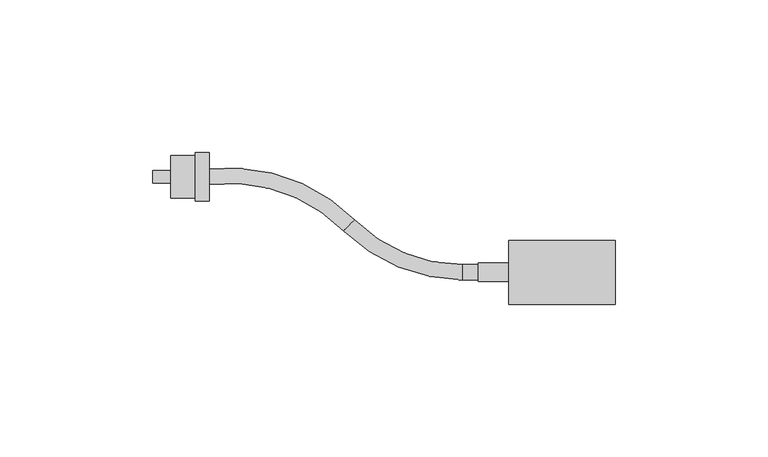
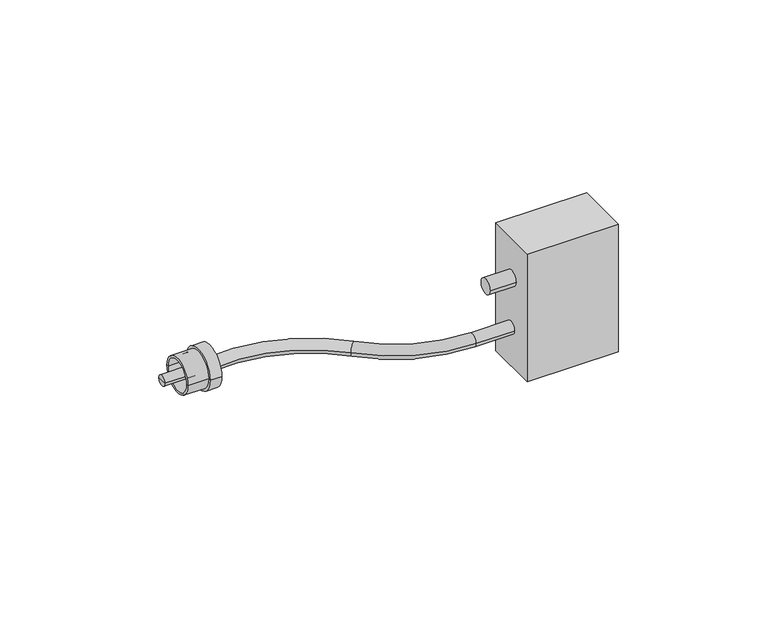
"""IFC4 building model written with IfcOpenShell, lengths in millimetres: proxy geometry."""

from ifc_helpers import new_model, si_unit, point, frame, origin, place, context, project, spatial, polyline, circle_curve, ellipse_curve, trimmed, source, transform, mapped, element, save
from ifc_brep_helpers import plane_surface, cylinder_surface, revolved_surface, advanced_brep


def communication_devices_843c5ee3(model_context):
    return source(origin(), model_context, "Body", "AdvancedBrep", [
        advanced_brep(
        [(17.5, 10.5, 52.0), (-17.5, 10.5, 52.0), (-17.5, -10.5, 52.0), (17.5, -10.5, 52.0), (17.5, 10.5, 0.0), (17.5, -10.5, 0.0), (-17.5, -10.5, 0.0), (-17.5, 10.5, 0.0), (-17.5, 3.0, 36.0), (-17.5, -3.0, 36.0), (-27.5, 3.0, 36.0), (-27.5, -3.0, 36.0)],
        [
            (0, 1),
            (1, 2),
            (2, 3),
            (3, 0),
            (4, 5),
            (5, 6),
            (6, 7),
            (7, 4),
            (0, 4),
            (7, 1),
            (6, 2),
            (8, 9, circle_curve(frame((-17.5, 0.0, 36.0), z_axis=(1.0, 0.0, 0.0), x_axis=(0.0, -1.0, 0.0)), 3.0)),
            (9, 8, circle_curve(frame((-17.5, 0.0, 36.0), z_axis=(1.0, 0.0, 0.0), x_axis=(0.0, -1.0, 0.0)), 3.0)),
            (5, 3),
            (10, 11, circle_curve(frame((-27.5, 0.0, 36.0), z_axis=(-1.0, 0.0, 0.0), x_axis=(0.0, -1.0, 0.0)), 3.0)),
            (11, 10, circle_curve(frame((-27.5, 0.0, 36.0), z_axis=(-1.0, 0.0, 0.0), x_axis=(0.0, -1.0, 0.0)), 3.0)),
            (11, 9),
            (8, 10),
        ],
        [
            plane_surface(frame((-17.5, 10.5, 52.0), z_axis=(0.0, 0.0, 1.0), x_axis=(-1.0, 0.0, 0.0))),
            plane_surface(frame((-17.5, 10.5, 0.0), z_axis=(0.0, 0.0, -1.0), x_axis=(1.0, 0.0, 0.0))),
            plane_surface(frame((17.5, 10.5, 52.0), z_axis=(0.0, 1.0, 0.0), x_axis=(0.0, 0.0, -1.0))),
            plane_surface(frame((-17.5, 10.5, 52.0), z_axis=(-1.0, 0.0, 0.0), x_axis=(0.0, 0.0, -1.0))),
            plane_surface(frame((-17.5, -10.5, 52.0), z_axis=(0.0, -1.0, 0.0), x_axis=(0.0, 0.0, -1.0))),
            plane_surface(frame((17.5, -10.5, 52.0), z_axis=(1.0, 0.0, 0.0), x_axis=(0.0, 0.0, -1.0))),
            plane_surface(frame((-27.5, 0.0, 36.0), z_axis=(-1.0, 0.0, 0.0), x_axis=(0.0, -1.0, 0.0))),
            cylinder_surface(frame((-17.5, 0.0, 36.0), z_axis=(1.0, 0.0, 0.0), x_axis=(0.0, -1.0, 0.0)), 3.0),
        ],
        [
            (0, [[1, 2, 3, 4]]),
            (1, [[5, 6, 7, 8]]),
            (2, [[-1, 9, -8, 10]]),
            (3, [[-2, -10, -7, 11], [12, 13]]),
            (4, [[-3, -11, -6, 14]]),
            (5, [[-4, -14, -5, -9]]),
            (6, [[15, 16]]),
            (7, [[-16, 17, -12, 18]]),
            (7, [[-15, -18, -13, -17]]),
        ],
    ),
        advanced_brep(
        [(-17.5, 2.5, 16.0), (-17.5, -2.5, 16.0), (-32.5, 2.5, 16.0), (-32.5, -2.5, 16.0), (-71.4630657, 13.6127106, 16.0), (-67.9316121, 17.1523201, 16.0), (-115.9303961, 33.7847909, 16.0), (-115.3462096, 28.8190355, 16.0)],
        [
            (0, 1, circle_curve(frame((-17.5, 0.0, 16.0), z_axis=(1.0, 0.0, 0.0), x_axis=(0.0, -1.0, 0.0)), 2.5)),
            (1, 0, circle_curve(frame((-17.5, 0.0, 16.0), z_axis=(1.0, 0.0, 0.0), x_axis=(0.0, -1.0, 0.0)), 2.5)),
            (0, 2),
            (2, 3, circle_curve(frame((-32.5, 0.0, 16.0), z_axis=(1.0, 0.0, 0.0), x_axis=(0.0, -1.0, 0.0)), 2.5)),
            (3, 1),
            (3, 2, circle_curve(frame((-32.5, 0.0, 16.0), z_axis=(1.0, 0.0, 0.0), x_axis=(0.0, -1.0, 0.0)), 2.5)),
            (4, 3, circle_curve(frame((-32.5, 52.6657625, 16.0), z_axis=(0.0, 0.0, 1.0), x_axis=(0.0, -1.0, 0.0)), 55.1657625)),
            (2, 5, circle_curve(frame((-32.5, 52.6657625, 16.0), z_axis=(0.0, 0.0, -1.0), x_axis=(0.0, -1.0, 0.0)), 50.1657625)),
            (5, 4, circle_curve(frame((-69.6973389, 15.3825154, 16.0), z_axis=(0.7079219089385151, -0.706290712698991, 0.0), x_axis=(-0.706290712698991, -0.7079219089385151, 0.0)), 2.5)),
            (4, 5, circle_curve(frame((-69.6973389, 15.3825154, 16.0), z_axis=(0.7079219089385135, -0.7062907126989928, 0.0), x_axis=(-0.7062907126989928, -0.7079219089385135, 0.0)), 2.5)),
            (6, 7, circle_curve(frame((-115.6383028, 31.3019132, 16.0), z_axis=(-0.9931510674314928, -0.11683731107692635, 0.0), x_axis=(0.11683731107692635, -0.9931510674314928, 0.0)), 2.5)),
            (7, 6, circle_curve(frame((-115.6383028, 31.3019132, 16.0), z_axis=(-0.9931510674314928, -0.11683731107692635, 0.0), x_axis=(0.11683731107692635, -0.9931510674314928, 0.0)), 2.5)),
            (7, 4, circle_curve(frame((-109.1173018, -24.1284889, 16.0), z_axis=(0.0, 0.0, -1.0), x_axis=(0.7062907126990097, 0.7079219089384966, 0.0)), 53.3126593)),
            (5, 6, circle_curve(frame((-109.1173018, -24.1284889, 16.0), z_axis=(0.0, 0.0, 1.0), x_axis=(0.7062907126990097, 0.7079219089384966, 0.0)), 58.3126593)),
        ],
        [
            plane_surface(frame((-17.5, 0.0, 16.0), z_axis=(1.0, 0.0, 0.0), x_axis=(0.0, 0.0, 1.0))),
            cylinder_surface(frame((-17.5, 0.0, 16.0), z_axis=(1.0, 0.0, 0.0), x_axis=(0.0, -1.0, 0.0)), 2.5),
            revolved_surface(trimmed(ellipse_curve(frame((-32.5, 0.0, 16.0), z_axis=(1.0, 0.0, 0.0), x_axis=(0.0, -1.0, 0.0)), 2.5, 2.5), [point((-32.5, 2.5, 16.0))], [point((-32.5, -2.5, 16.0))], True, "CARTESIAN"), (-32.5, 52.6657625, 16.0), (0.0, 0.0, -1.0)),
            revolved_surface(trimmed(ellipse_curve(frame((-32.5, 0.0, 16.0), z_axis=(1.0, 0.0, 0.0), x_axis=(0.0, -1.0, 0.0)), 2.5, 2.5), [point((-32.5, -2.5, 16.0))], [point((-32.5, 2.5, 16.0))], True, "CARTESIAN"), (-32.5, 52.6657625, 16.0), (0.0, 0.0, -1.0)),
            plane_surface(frame((-115.6383028, 31.3019132, 16.0), z_axis=(-0.9931510674314928, -0.11683731107692634, 0.0), x_axis=(0.0, 0.0, 1.0))),
            revolved_surface(trimmed(ellipse_curve(frame((-69.6973389, 15.3825154, 16.0), z_axis=(0.7079219089384966, -0.7062907126990097, 0.0), x_axis=(-0.7062907126990097, -0.7079219089384966, 0.0)), 2.5, 2.5), [point((-67.9316121, 17.1523201, 16.0))], [point((-71.4630657, 13.6127106, 16.0))], True, "CARTESIAN"), (-109.1173018, -24.1284889, 16.0), (0.0, 0.0, 1.0)),
            revolved_surface(trimmed(ellipse_curve(frame((-69.6973389, 15.3825154, 16.0), z_axis=(0.7079219089384966, -0.7062907126990097, 0.0), x_axis=(-0.7062907126990097, -0.7079219089384966, 0.0)), 2.5, 2.5), [point((-71.4630657, 13.6127106, 16.0))], [point((-67.9316121, 17.1523201, 16.0))], True, "CARTESIAN"), (-109.1173018, -24.1284889, 16.0), (0.0, 0.0, 1.0)),
        ],
        [
            (0, [[1, 2]]),
            (1, [[-1, 3, 4, 5]]),
            (1, [[-2, -5, 6, -3]]),
            (2, [[7, -4, 8, 9]]),
            (3, [[-8, -6, -7, 10]]),
            (4, [[11, 12]]),
            (5, [[13, -9, 14, -12]]),
            (6, [[-14, -10, -13, -11]]),
        ],
    ),
        advanced_brep(
        [(-115.6383028, 31.3019132, 16.0), (-115.6383028, 23.3019132, 16.0), (-115.6383028, 39.3019132, 16.0), (-134.1383028, 33.3019132, 16.0), (-134.1383028, 29.3019132, 16.0), (-134.1383028, 31.3019132, 16.0), (-122.1383028, 33.3019132, 16.0), (-122.1383028, 29.3019132, 16.0), (-128.1383028, 38.3019132, 16.0), (-128.1383028, 24.3019132, 16.0), (-128.1383028, 25.1019132, 16.0), (-128.1383028, 37.5019132, 16.0), (-120.1383028, 38.3019132, 16.0), (-120.1383028, 24.3019132, 16.0), (-120.1383028, 39.3019132, 16.0), (-120.1383028, 23.3019132, 16.0), (-122.1383028, 37.5019132, 16.0), (-122.1383028, 25.1019132, 16.0)],
        [
            (0, 1),
            (1, 2, circle_curve(frame((-115.6383028, 31.3019132, 16.0), z_axis=(1.0, 0.0, 0.0), x_axis=(0.0, -1.0, 0.0)), 8.0)),
            (2, 0),
            (2, 1, circle_curve(frame((-115.6383028, 31.3019132, 16.0), z_axis=(1.0, 0.0, 0.0), x_axis=(0.0, -1.0, 0.0)), 8.0)),
            (3, 4, circle_curve(frame((-134.1383028, 31.3019132, 16.0), z_axis=(-1.0, 0.0, 0.0), x_axis=(0.0, -1.0, 0.0)), 2.0)),
            (4, 5),
            (5, 3),
            (4, 3, circle_curve(frame((-134.1383028, 31.3019132, 16.0), z_axis=(-1.0, 0.0, 0.0), x_axis=(0.0, -1.0, 0.0)), 2.0)),
            (6, 7, circle_curve(frame((-122.1383028, 31.3019132, 16.0), z_axis=(-1.0, 0.0, 0.0), x_axis=(0.0, -1.0, 0.0)), 2.0)),
            (7, 4),
            (3, 6),
            (7, 6, circle_curve(frame((-122.1383028, 31.3019132, 16.0), z_axis=(-1.0, 0.0, 0.0), x_axis=(0.0, -1.0, 0.0)), 2.0)),
            (8, 9, circle_curve(frame((-128.1383028, 31.3019132, 16.0), z_axis=(-1.0, 0.0, 0.0), x_axis=(0.0, -1.0, 0.0)), 7.0)),
            (9, 10),
            (10, 11, circle_curve(frame((-128.1383028, 31.3019132, 16.0), z_axis=(1.0, 0.0, 0.0), x_axis=(0.0, -1.0, 0.0)), 6.2)),
            (11, 8),
            (9, 8, circle_curve(frame((-128.1383028, 31.3019132, 16.0), z_axis=(-1.0, 0.0, 0.0), x_axis=(0.0, -1.0, 0.0)), 7.0)),
            (11, 10, circle_curve(frame((-128.1383028, 31.3019132, 16.0), z_axis=(1.0, 0.0, 0.0), x_axis=(0.0, -1.0, 0.0)), 6.2)),
            (12, 13, circle_curve(frame((-120.1383028, 31.3019132, 16.0), z_axis=(-1.0, 0.0, 0.0), x_axis=(0.0, -1.0, 0.0)), 7.0)),
            (13, 9),
            (8, 12),
            (13, 12, circle_curve(frame((-120.1383028, 31.3019132, 16.0), z_axis=(-1.0, 0.0, 0.0), x_axis=(0.0, -1.0, 0.0)), 7.0)),
            (14, 15, circle_curve(frame((-120.1383028, 31.3019132, 16.0), z_axis=(-1.0, 0.0, 0.0), x_axis=(0.0, -1.0, 0.0)), 8.0)),
            (15, 13),
            (12, 14),
            (15, 14, circle_curve(frame((-120.1383028, 31.3019132, 16.0), z_axis=(-1.0, 0.0, 0.0), x_axis=(0.0, -1.0, 0.0)), 8.0)),
            (1, 15),
            (14, 2),
            (16, 17, circle_curve(frame((-122.1383028, 31.3019132, 16.0), z_axis=(-1.0, 0.0, 0.0), x_axis=(0.0, -1.0, 0.0)), 6.2)),
            (17, 7),
            (6, 16),
            (17, 16, circle_curve(frame((-122.1383028, 31.3019132, 16.0), z_axis=(-1.0, 0.0, 0.0), x_axis=(0.0, -1.0, 0.0)), 6.2)),
            (10, 17),
            (16, 11),
        ],
        [
            plane_surface(frame((-115.6383028, 31.3019132, 16.0), z_axis=(1.0, 0.0, 0.0), x_axis=(0.0, -1.0, 0.0))),
            plane_surface(frame((-134.1383028, 31.3019132, 16.0), z_axis=(-1.0, 0.0, 0.0), x_axis=(0.0, -1.0, 0.0))),
            cylinder_surface(frame((-115.6383028, 31.3019132, 16.0), z_axis=(1.0, 0.0, 0.0), x_axis=(0.0, -1.0, 0.0)), 2.0),
            plane_surface(frame((-128.1383028, 31.3019132, 16.0), z_axis=(-1.0, 0.0, 0.0), x_axis=(0.0, -1.0, 0.0))),
            cylinder_surface(frame((-115.6383028, 31.3019132, 16.0), z_axis=(1.0, 0.0, 0.0), x_axis=(0.0, -1.0, 0.0)), 7.0),
            plane_surface(frame((-120.1383028, 31.3019132, 16.0), z_axis=(-1.0, 0.0, 0.0), x_axis=(0.0, -1.0, 0.0))),
            cylinder_surface(frame((-115.6383028, 31.3019132, 16.0), z_axis=(1.0, 0.0, 0.0), x_axis=(0.0, -1.0, 0.0)), 8.0),
            plane_surface(frame((-122.1383028, 31.3019132, 16.0), z_axis=(-1.0, 0.0, 0.0), x_axis=(0.0, -1.0, 0.0))),
            revolved_surface(polyline([(-122.1383028, 25.101913200000002, 16.0), (-128.1383028, 25.101913200000002, 16.0)]), (-115.6383028, 31.3019132, 16.0), (1.0, 0.0, 0.0)),
        ],
        [
            (0, [[1, 2, 3]]),
            (0, [[-3, 4, -1]]),
            (1, [[5, 6, 7]]),
            (1, [[8, -7, -6]]),
            (2, [[9, 10, -5, 11]]),
            (2, [[12, -11, -8, -10]]),
            (3, [[13, 14, 15, 16]]),
            (3, [[17, -16, 18, -14]]),
            (4, [[19, 20, -13, 21]]),
            (4, [[22, -21, -17, -20]]),
            (5, [[23, 24, -19, 25]]),
            (5, [[26, -25, -22, -24]]),
            (6, [[-2, 27, -23, 28]]),
            (6, [[-4, -28, -26, -27]]),
            (7, [[29, 30, -9, 31]]),
            (7, [[32, -31, -12, -30]]),
            (8, [[-15, 33, -29, 34]]),
            (8, [[-18, -34, -32, -33]]),
        ],
    ),
    ])


if __name__ == "__main__":
    model = new_model("IFC4")
    model_context = context("Model", 3, world=origin())
    ifc_project = project(units=[si_unit("LENGTHUNIT", "METRE", prefix="MILLI")], contexts=[model_context])
    site = spatial("IfcSite", under=ifc_project)
    building = spatial("IfcBuilding", under=site)
    placement = place(None, origin())
    communication_devices_shape = communication_devices_843c5ee3(model_context)
    element("IfcBuildingElementProxy", 1, Name="Communication Devices", at=placement, inside=building, context=model_context, shape_type="MappedRepresentation", body=[
        mapped(communication_devices_shape, transform((0.0, 0.0, 0.0), x_axis=(1.0, 0.0, 0.0), y_axis=(0.0, 1.0, 0.0), z_axis=(0.0, 0.0, 1.0))),
    ])
    save(model, "model.ifc")
